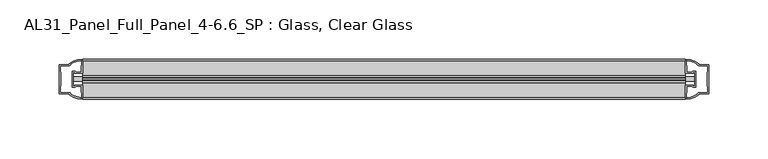
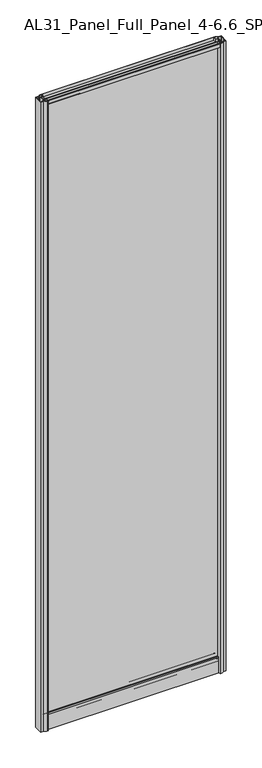
"""IFC4 building model written with IfcOpenShell, lengths in millimetres: plate geometry, AL31_Panel_Full_Panel_4-6.6_SP : Glass, Clear Glass."""

from ifc_helpers import new_model, si_unit, point, frame, frame_2d, origin, origin_with_axes, place, context, project, spatial, polyline, circle_curve, trimmed, segment, composite_curve, outline, extrude, source, transform, mapped, element, save


def al31_panel_full_panel_4_6_6_sp_glass_clear_glass_60d05a12(model_context):
    return source(origin(), model_context, "Body", "SweptSolid", [
        extrude(outline(composite_curve([segment(polyline([(-1.4, 1968.8980762), (-0.85, 1967.9454483)]), True, "CONTINUOUS"), segment(trimmed(circle_curve(frame_2d((0.1, 1966.3)), 1.9), [point((-0.85, 1967.9454483))], [point((1.05, 1967.9454483))], True, "CARTESIAN"), True, "CONTINUOUS"), segment(polyline([(1.05, 1967.9454483), (1.6, 1968.8980762)]), True, "CONTINUOUS"), segment(trimmed(circle_curve(frame_2d((0.1, 1966.3)), 3.0), [point((1.6, 1968.8980762))], [point((2.5718414, 1964.6))], False, "CARTESIAN"), True, "CONTINUOUS"), segment(polyline([(2.5718414, 1964.6), (15.7, 1964.6), (15.7, 1974.0), (17.0, 1974.0), (17.0, 1963.5), (6.7024688, 1963.5), (6.7024688, 1962.7), (6.1968782, 1960.7785039), (6.1968782, 1956.1), (5.0, 1956.1), (5.0, 1961.4339746), (5.5, 1962.3), (5.5, 1963.5), (-5.5, 1963.5), (-5.5, 1962.3), (-5.0, 1961.4339746), (-5.0, 1956.1), (-6.1968782, 1956.1), (-6.1968782, 1960.7785039), (-6.7024688, 1962.7), (-6.7024688, 1963.5), (-17.0, 1963.5), (-17.0, 1974.0), (-15.7, 1974.0), (-15.7, 1964.6), (-2.3718414, 1964.6)]), True, "CONTINUOUS"), segment(trimmed(circle_curve(frame_2d((0.1, 1966.3)), 3.0), [point((-2.3718414, 1964.6))], [point((-1.4, 1968.8980762))], False, "CARTESIAN"), True, "CONTINUOUS")], self_intersect=False)), frame((-255.1801316, 0.0, 0.0), z_axis=(1.0, 0.0, 0.0), x_axis=(0.0, 1.0, 0.0)), (0.0, 0.0, 1.0), 510.3602632),
        extrude(outline(composite_curve([segment(polyline([(-263.021553, -5.9), (-261.821553, -5.9), (-261.821553, -5.0), (-255.1801316, -5.0), (-255.1801316, -17.0001453)]), True, "CONTINUOUS"), segment(trimmed(circle_curve(frame_2d((-254.81548, 2.9965302)), 20.0), [point((-255.1801316, -17.0001453))], [point((-266.5359668, -13.2093388))], False, "CARTESIAN"), True, "CONTINUOUS"), segment(polyline([(-266.5359668, -13.2093388), (-266.5359668, -12.3279343), (-275.1801316, -12.3279343), (-275.1801316, 12.3720657), (-266.5359668, 12.3720657), (-266.5359668, 13.2095249)]), True, "CONTINUOUS"), segment(trimmed(circle_curve(frame_2d((-254.81548, -2.9963441)), 20.0), [point((-266.5359668, 13.2095249))], [point((-255.1801316, 17.0003314))], False, "CARTESIAN"), True, "CONTINUOUS"), segment(polyline([(-255.1801316, 17.0003314), (-255.1801316, 5.0), (-261.821553, 5.0), (-261.821553, 5.9), (-263.021553, 5.9), (-263.021553, -5.9)]), True, "CONTINUOUS")], self_intersect=False), holes=[composite_curve([segment(trimmed(circle_curve(frame_2d((-262.021553, 5.7)), 1.5), [point((-262.021553, 7.2))], [point((-260.6662987, 6.3428731))], False, "CARTESIAN"), True, "CONTINUOUS"), segment(polyline([(-260.6662987, 6.3428731), (-256.921553, 6.3428731), (-256.921553, 10.939223), (-256.4822131, 11.9998832), (-256.4822131, 15.6499817)]), True, "CONTINUOUS"), segment(trimmed(circle_curve(frame_2d((-254.81548, -2.9755921)), 18.7), [point((-256.4822131, 15.6499817))], [point((-264.8222578, 12.8216987))], True, "CARTESIAN"), True, "CONTINUOUS"), segment(trimmed(circle_curve(frame_2d((-266.621553, 12.8720657)), 1.8), [point((-264.8222578, 12.8216987))], [point((-266.621553, 11.0720657))], False, "CARTESIAN"), True, "CONTINUOUS"), segment(polyline([(-266.621553, 11.0720657), (-273.7629743, 11.0720657), (-273.7629743, 6.5019606), (-273.321553, 5.439223), (-273.321553, -5.3950916), (-273.821553, -6.3879987), (-273.821553, -11.0279343), (-266.621553, -11.0279343)]), True, "CONTINUOUS"), segment(trimmed(circle_curve(frame_2d((-266.621553, -12.8279343)), 1.8), [point((-266.621553, -11.0279343))], [point((-264.8222578, -12.7775673))], False, "CARTESIAN"), True, "CONTINUOUS"), segment(trimmed(circle_curve(frame_2d((-254.81548, 3.0197235)), 18.7), [point((-264.8222578, -12.7775673))], [point((-256.4822131, -15.6058503))], True, "CARTESIAN"), True, "CONTINUOUS"), segment(polyline([(-256.4822131, -15.6058503), (-256.4822131, -11.9557518), (-256.921553, -10.8950916), (-256.921553, -6.2991308), (-260.6464012, -6.2991308)]), True, "CONTINUOUS"), segment(trimmed(circle_curve(frame_2d((-262.021553, -5.7)), 1.5), [point((-260.6464012, -6.2991308))], [point((-262.021553, -7.2))], False, "CARTESIAN"), True, "CONTINUOUS"), segment(polyline([(-262.021553, -7.2), (-264.321553, -7.2), (-264.321553, 7.2), (-262.021553, 7.2)]), True, "CONTINUOUS")], self_intersect=False)]), origin_with_axes(), (0.0, 0.0, 1.0), 1974.0),
        extrude(outline(composite_curve([segment(polyline([(263.021553, 5.9), (261.821553, 5.9), (261.821553, 5.0), (255.1801316, 5.0), (255.1801316, 17.0001453)]), True, "CONTINUOUS"), segment(trimmed(circle_curve(frame_2d((254.81548, -2.9965302)), 20.0), [point((255.1801316, 17.0001453))], [point((266.5359668, 13.2093388))], False, "CARTESIAN"), True, "CONTINUOUS"), segment(polyline([(266.5359668, 13.2093388), (266.5359668, 12.3279343), (275.1801316, 12.3279343), (275.1801316, -12.3720657), (266.5359668, -12.3720657), (266.5359668, -13.2095249)]), True, "CONTINUOUS"), segment(trimmed(circle_curve(frame_2d((254.81548, 2.9963441)), 20.0), [point((266.5359668, -13.2095249))], [point((255.1801316, -17.0003314))], False, "CARTESIAN"), True, "CONTINUOUS"), segment(polyline([(255.1801316, -17.0003314), (255.1801316, -5.0), (261.821553, -5.0), (261.821553, -5.9), (263.021553, -5.9), (263.021553, 5.9)]), True, "CONTINUOUS")], self_intersect=False), holes=[composite_curve([segment(trimmed(circle_curve(frame_2d((262.021553, -5.7)), 1.5), [point((262.021553, -7.2))], [point((260.6662987, -6.3428731))], False, "CARTESIAN"), True, "CONTINUOUS"), segment(polyline([(260.6662987, -6.3428731), (256.921553, -6.3428731), (256.921553, -10.939223), (256.4822131, -11.9998832), (256.4822131, -15.6499817)]), True, "CONTINUOUS"), segment(trimmed(circle_curve(frame_2d((254.81548, 2.9755921)), 18.7), [point((256.4822131, -15.6499817))], [point((264.8222578, -12.8216987))], True, "CARTESIAN"), True, "CONTINUOUS"), segment(trimmed(circle_curve(frame_2d((266.621553, -12.8720657)), 1.8), [point((264.8222578, -12.8216987))], [point((266.621553, -11.0720657))], False, "CARTESIAN"), True, "CONTINUOUS"), segment(polyline([(266.621553, -11.0720657), (273.7629743, -11.0720657), (273.7629743, -6.5019606), (273.321553, -5.439223), (273.321553, 5.3950916), (273.821553, 6.3879987), (273.821553, 11.0279343), (266.621553, 11.0279343)]), True, "CONTINUOUS"), segment(trimmed(circle_curve(frame_2d((266.621553, 12.8279343)), 1.8), [point((266.621553, 11.0279343))], [point((264.8222578, 12.7775673))], False, "CARTESIAN"), True, "CONTINUOUS"), segment(trimmed(circle_curve(frame_2d((254.81548, -3.0197235)), 18.7), [point((264.8222578, 12.7775673))], [point((256.4822131, 15.6058503))], True, "CARTESIAN"), True, "CONTINUOUS"), segment(polyline([(256.4822131, 15.6058503), (256.4822131, 11.9557518), (256.921553, 10.8950916), (256.921553, 6.2991308), (260.6464012, 6.2991308)]), True, "CONTINUOUS"), segment(trimmed(circle_curve(frame_2d((262.021553, 5.7)), 1.5), [point((260.6464012, 6.2991308))], [point((262.021553, 7.2))], False, "CARTESIAN"), True, "CONTINUOUS"), segment(polyline([(262.021553, 7.2), (264.321553, 7.2), (264.321553, -7.2), (262.021553, -7.2)]), True, "CONTINUOUS")], self_intersect=False)]), origin_with_axes(), (0.0, 0.0, 1.0), 1974.0),
        extrude(outline(composite_curve([segment(trimmed(circle_curve(frame_2d((-8.4, 34.8)), 1.0), [point((-8.4, 35.8))], [point((-9.4, 34.8))], True, "CARTESIAN"), True, "CONTINUOUS"), segment(polyline([(-9.4, 34.8), (-9.4, 33.5), (-5.0000303, 33.5), (-5.0000303, 32.3), (-9.4, 32.3), (-9.4, 0.0), (-10.6, 0.0), (-10.6, 47.3)]), True, "CONTINUOUS"), segment(trimmed(circle_curve(frame_2d((-8.6, 47.3)), 2.0), [point((-10.6, 47.3))], [point((-8.6, 49.3))], False, "CARTESIAN"), True, "CONTINUOUS"), segment(polyline([(-8.6, 49.3), (-5.0, 49.3), (-5.0, 41.9), (5.0, 41.9), (5.0, 49.3), (8.6, 49.3)]), True, "CONTINUOUS"), segment(trimmed(circle_curve(frame_2d((8.6, 47.3)), 2.0), [point((8.6, 49.3))], [point((10.6, 47.3))], False, "CARTESIAN"), True, "CONTINUOUS"), segment(polyline([(10.6, 47.3), (10.6, 0.0), (9.4, 0.0), (9.4, 32.3), (4.9999697, 32.3), (4.9999697, 33.5), (9.4, 33.5), (9.4, 34.8)]), True, "CONTINUOUS"), segment(trimmed(circle_curve(frame_2d((8.4, 34.8)), 1.0), [point((9.4, 34.8))], [point((8.4, 35.8))], True, "CARTESIAN"), True, "CONTINUOUS"), segment(polyline([(8.4, 35.8), (-8.4, 35.8)]), True, "CONTINUOUS")], self_intersect=False), holes=[composite_curve([segment(trimmed(circle_curve(frame_2d((5.5024688, 41.8)), 1.0), [point((6.5024688, 41.8))], [point((5.5024688, 40.8))], False, "CARTESIAN"), True, "CONTINUOUS"), segment(polyline([(5.5024688, 40.8), (2.8008965, 40.8), (2.8008965, 39.7274194), (1.8370508, 39.7274194)]), True, "CONTINUOUS"), segment(trimmed(circle_curve(frame_2d((0.0, 38.7)), 2.1048387), [point((1.8370508, 39.7274194))], [point((-1.8370508, 39.7274194))], True, "CARTESIAN"), True, "CONTINUOUS"), segment(polyline([(-1.8370508, 39.7274194), (-2.8008965, 39.7274194), (-2.8008965, 40.8), (-5.5024688, 40.8)]), True, "CONTINUOUS"), segment(trimmed(circle_curve(frame_2d((-5.5024688, 41.8)), 1.0), [point((-5.5024688, 40.8))], [point((-6.5024688, 41.8))], False, "CARTESIAN"), True, "CONTINUOUS"), segment(polyline([(-6.5024688, 41.8), (-6.5024688, 42.7)]), True, "CONTINUOUS"), segment(trimmed(circle_curve(frame_2d((-5.3024688, 42.7)), 1.2), [point((-6.5024688, 42.7))], [point((-6.1198184, 43.5786009))], False, "CARTESIAN"), True, "CONTINUOUS"), segment(polyline([(-6.1198184, 43.5786009), (-6.1198184, 48.2), (-8.4, 48.2)]), True, "CONTINUOUS"), segment(trimmed(circle_curve(frame_2d((-8.4, 47.2)), 1.0), [point((-8.4, 48.2))], [point((-9.4, 47.2))], True, "CARTESIAN"), True, "CONTINUOUS"), segment(polyline([(-9.4, 47.2), (-9.4, 37.04), (-2.8008965, 37.04), (-2.8008965, 38.0725806), (-1.8370508, 38.0725806)]), True, "CONTINUOUS"), segment(trimmed(circle_curve(frame_2d((0.0, 39.1)), 2.1048387), [point((-1.8370508, 38.0725806))], [point((1.8370508, 38.0725806))], True, "CARTESIAN"), True, "CONTINUOUS"), segment(polyline([(1.8370508, 38.0725806), (2.8008965, 38.0725806), (2.8008965, 37.04), (9.4, 37.04), (9.4, 47.2)]), True, "CONTINUOUS"), segment(trimmed(circle_curve(frame_2d((8.4, 47.2)), 1.0), [point((9.4, 47.2))], [point((8.4, 48.2))], True, "CARTESIAN"), True, "CONTINUOUS"), segment(polyline([(8.4, 48.2), (6.1198184, 48.2), (6.1198184, 43.7786009)]), True, "CONTINUOUS"), segment(trimmed(circle_curve(frame_2d((5.3024688, 42.9)), 1.2), [point((6.1198184, 43.7786009))], [point((6.5024688, 42.9))], False, "CARTESIAN"), True, "CONTINUOUS"), segment(polyline([(6.5024688, 42.9), (6.5024688, 41.8)]), True, "CONTINUOUS")], self_intersect=False)]), frame((-255.1801316, 0.0, 0.0), z_axis=(1.0, 0.0, 0.0), x_axis=(0.0, 1.0, 0.0)), (0.0, 0.0, 1.0), 510.3602632),
        extrude(outline(polyline([(263.021553, 2.0), (263.021553, -2.0), (-263.021553, -2.0), (-263.021553, 2.0), (263.021553, 2.0)])), frame((0.0, 0.0, 41.9), z_axis=(0.0, 0.0, 1.0), x_axis=(1.0, 0.0, 0.0)), (0.0, 0.0, 1.0), 1921.6),
    ])


if __name__ == "__main__":
    model = new_model("IFC4")
    model_context = context("Model", 3, world=origin())
    ifc_project = project(units=[si_unit("LENGTHUNIT", "METRE", prefix="MILLI")], contexts=[model_context])
    site = spatial("IfcSite", under=ifc_project)
    building = spatial("IfcBuilding", under=site)
    placement = place(None, origin())
    al31_panel_full_panel_4_6_6_sp_glass_clear_glass_shape = al31_panel_full_panel_4_6_6_sp_glass_clear_glass_60d05a12(model_context)
    element("IfcPlate", 1, ObjectType="AL31_Panel_Full_Panel_4-6.6_SP : Glass, Clear Glass", at=placement, inside=building, context=model_context, shape_type="MappedRepresentation", body=[
        mapped(al31_panel_full_panel_4_6_6_sp_glass_clear_glass_shape, transform((0.0, 0.0, 0.0), x_axis=(1.0, 0.0, 0.0), y_axis=(0.0, 1.0, 0.0), z_axis=(0.0, 0.0, 1.0))),
    ])
    save(model, "model.ifc")
